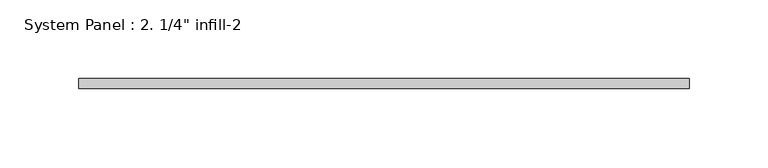
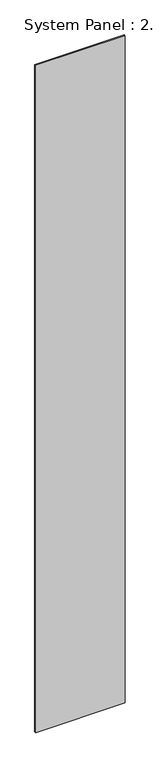
"""IFC4 building model written with IfcOpenShell, lengths in millimetres: plate geometry."""

from ifc_helpers import new_model, si_unit, origin, origin_with_axes, place, context, project, spatial, polyline, outline, extrude, source, transform, mapped, element, save


def plate_5fddb895(model_context):
    return source(origin(), model_context, "Body", "SweptSolid", [
        extrude(outline(polyline([(193.675, 0.0), (-193.675, 0.0), (-193.675, 6.35), (193.675, 6.35), (193.675, 0.0)])), origin_with_axes(), (0.0, 0.0, 1.0), 3048.0),
    ])


if __name__ == "__main__":
    model = new_model("IFC4")
    model_context = context("Model", 3, world=origin())
    ifc_project = project(units=[si_unit("LENGTHUNIT", "METRE", prefix="MILLI")], contexts=[model_context])
    site = spatial("IfcSite", under=ifc_project)
    building = spatial("IfcBuilding", under=site)
    placement = place(None, origin())
    plate_shape = plate_5fddb895(model_context)
    element("IfcPlate", 1, ObjectType="System Panel : 2. 1/4\" infill-2", at=placement, inside=building, context=model_context, shape_type="MappedRepresentation", body=[
        mapped(plate_shape, transform((0.0, 0.0, 0.0), x_axis=(1.0, 0.0, 0.0), y_axis=(0.0, 1.0, 0.0), z_axis=(0.0, 0.0, 1.0))),
    ])
    save(model, "model.ifc")
